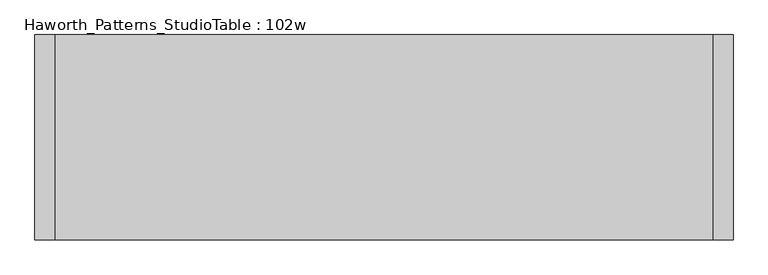
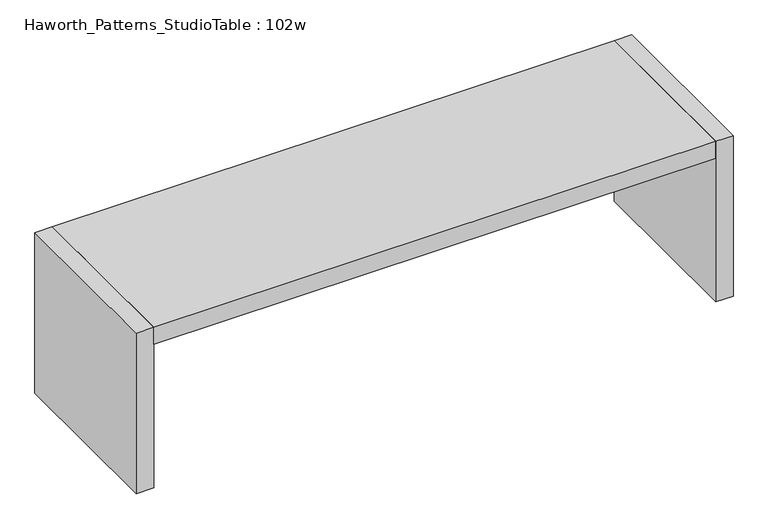
"""IFC4 building model written with IfcOpenShell, lengths in millimetres: furniture geometry, Haworth_Patterns_StudioTable : 102w."""

from ifc_helpers import new_model, si_unit, frame, origin, origin_with_axes, place, context, project, spatial, polyline, outline, extrude, source, transform, mapped, element, save


def haworth_patterns_studiotable_102w_19308816(model_context):
    return source(origin(), model_context, "Body", "SweptSolid", [
        extrude(outline(polyline([(1219.2, 0.0), (1219.2, -762.0), (-1219.2, -762.0), (-1219.2, 0.0), (1219.2, 0.0)])), frame((0.0, 0.0, 660.4), z_axis=(0.0, 0.0, 1.0), x_axis=(1.0, 0.0, 0.0)), (0.0, 0.0, 1.0), 76.2),
        extrude(outline(polyline([(1219.2, 0.0), (1295.4, 0.0), (1295.4, -762.0), (1219.2, -762.0), (1219.2, 0.0)])), origin_with_axes(), (0.0, 0.0, 1.0), 736.6),
        extrude(outline(polyline([(-1219.2, 0.0), (-1219.2, -762.0), (-1295.4, -762.0), (-1295.4, 0.0), (-1219.2, 0.0)])), origin_with_axes(), (0.0, 0.0, 1.0), 736.6),
    ])


if __name__ == "__main__":
    model = new_model("IFC4")
    model_context = context("Model", 3, world=origin())
    ifc_project = project(units=[si_unit("LENGTHUNIT", "METRE", prefix="MILLI")], contexts=[model_context])
    site = spatial("IfcSite", under=ifc_project)
    building = spatial("IfcBuilding", under=site)
    placement = place(None, origin())
    haworth_patterns_studiotable_102w_shape = haworth_patterns_studiotable_102w_19308816(model_context)
    element("IfcFurniture", 1, ObjectType="Haworth_Patterns_StudioTable : 102w", at=placement, inside=building, context=model_context, shape_type="MappedRepresentation", body=[
        mapped(haworth_patterns_studiotable_102w_shape, transform((0.0, 0.0, 0.0), x_axis=(1.0, 0.0, 0.0), y_axis=(0.0, 1.0, 0.0), z_axis=(0.0, 0.0, 1.0))),
    ])
    save(model, "model.ifc")
